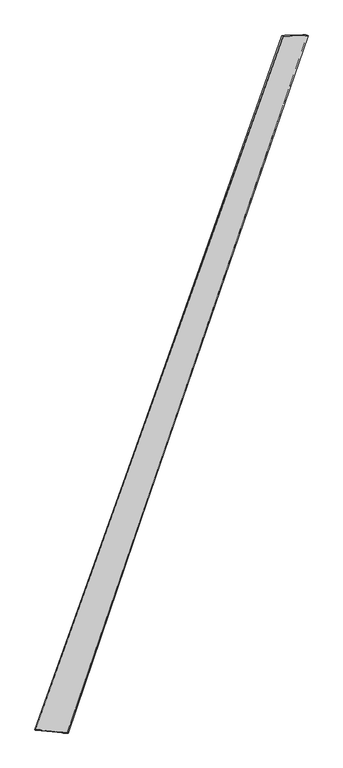
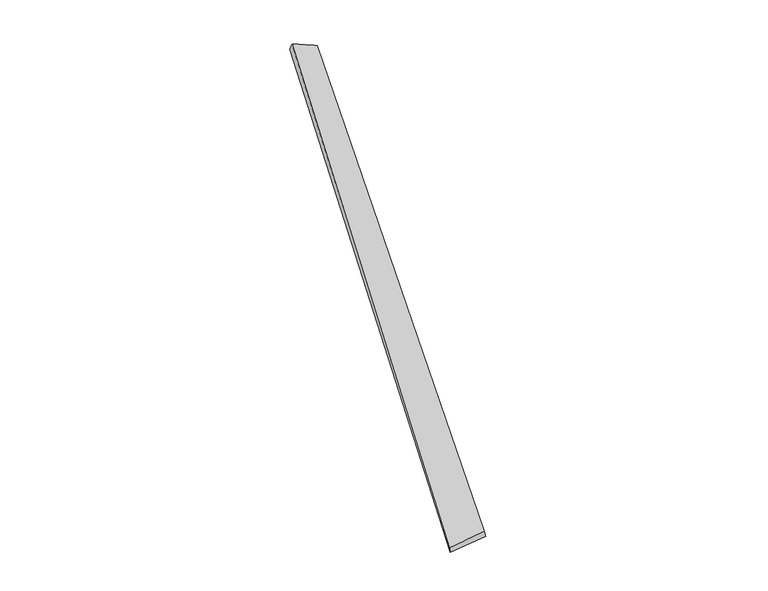
"""IFC4 building model written with IfcOpenShell, lengths in millimetres: proxy geometry."""

from ifc_helpers import new_model, si_unit, origin, place, context, project, spatial, source, transform, mapped, element, save
from ifc_brep_helpers import spline_surface, advanced_brep


def generic_models_ba0479b8(model_context):
    return source(origin(), model_context, "Body", "AdvancedBrep", [
        advanced_brep(
        [(-710.8450123, -1800.8073644, -20.8435374), (-717.0773613, -1798.9710923, 8.4444453), (708.7056969, 2183.7604667, 57.3933865), (699.2468744, 2187.4586838, 29.1647863), (-531.7012632, -1815.0638414, 49.9587314), (850.9207725, 2186.5106902, -2.8375736), (-525.4156209, -1817.5632451, 20.731284), (837.0137588, 2190.9119257, -29.0525329)],
        [
            (0, 1),
            (1, 2),
            (2, 3),
            (3, 0),
            (1, 4),
            (4, 5),
            (5, 2),
            (4, 6),
            (6, 7),
            (7, 5),
            (6, 0),
            (3, 7),
        ],
        [
            spline_surface(1, 1, [[(-710.8450123, -1800.8073644, -20.8435374), (699.2468744, 2187.4586838, 29.1647863)], [(-717.0773613, -1798.9710923, 8.4444453), (708.7056969, 2183.7604667, 57.3933865)]], [2, 2], [2, 2], [0.0, 1.0], [0.0, 1.0]),
            spline_surface(1, 1, [[(-717.0773613, -1798.9710923, 8.4444453), (708.7056969, 2183.7604667, 57.3933865)], [(-531.7012632, -1815.0638414, 49.9587314), (850.9207725, 2186.5106902, -2.8375736)]], [2, 2], [2, 2], [0.0, 1.0], [0.0, 1.0]),
            spline_surface(1, 1, [[(-531.7012632, -1815.0638414, 49.9587314), (850.9207725, 2186.5106902, -2.8375736)], [(-525.4156209, -1817.5632451, 20.731284), (837.0137588, 2190.9119257, -29.0525329)]], [2, 2], [2, 2], [0.0, 1.0], [0.0, 1.0]),
            spline_surface(1, 1, [[(-525.4156209, -1817.5632451, 20.731284), (837.0137588, 2190.9119257, -29.0525329)], [(-710.8450123, -1800.8073644, -20.8435374), (699.2468744, 2187.4586838, 29.1647863)]], [2, 2], [2, 2], [0.0, 1.0], [0.0, 1.0]),
            spline_surface(1, 1, [[(708.7056969, 2183.7604667, 57.3933865), (699.2468744, 2187.4586838, 29.1647863)], [(850.9207725, 2186.5106902, -2.8375736), (837.0137588, 2190.9119257, -29.0525329)]], [2, 2], [2, 2], [0.0, 1.0], [0.0, 1.0]),
            spline_surface(1, 1, [[(-525.4156209, -1817.5632451, 20.731284), (-710.8450123, -1800.8073644, -20.8435374)], [(-531.7012632, -1815.0638414, 49.9587314), (-717.0773613, -1798.9710923, 8.4444453)]], [2, 2], [2, 2], [0.0, 1.0], [0.0, 1.0]),
        ],
        [
            (0, [[1, 2, 3, 4]]),
            (1, [[5, 6, 7, -2]]),
            (2, [[8, 9, 10, -6]]),
            (3, [[11, -4, 12, -9]]),
            (4, [[-3, -7, -10, -12]]),
            (5, [[-11, -8, -5, -1]]),
        ],
    ),
    ])


if __name__ == "__main__":
    model = new_model("IFC4")
    model_context = context("Model", 3, world=origin())
    ifc_project = project(units=[si_unit("LENGTHUNIT", "METRE", prefix="MILLI")], contexts=[model_context])
    site = spatial("IfcSite", under=ifc_project)
    building = spatial("IfcBuilding", under=site)
    placement = place(None, origin())
    generic_models_shape = generic_models_ba0479b8(model_context)
    element("IfcBuildingElementProxy", 1, Name="Generic Models", at=placement, inside=building, context=model_context, shape_type="MappedRepresentation", body=[
        mapped(generic_models_shape, transform((0.0, 0.0, 0.0), x_axis=(1.0, 0.0, 0.0), y_axis=(0.0, 1.0, 0.0), z_axis=(0.0, 0.0, 1.0))),
    ])
    save(model, "model.ifc")
